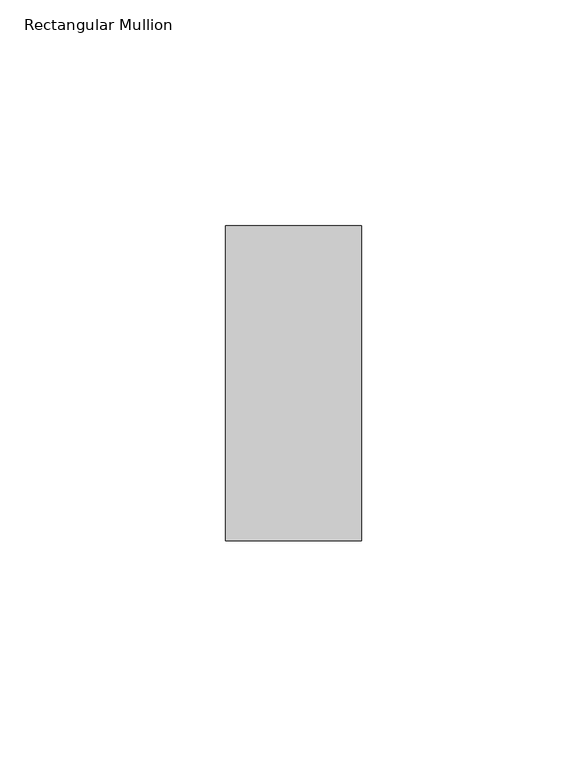
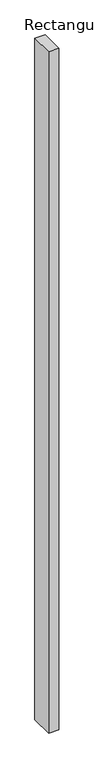
"""IFC4 building model written with IfcOpenShell, lengths in millimetres: member geometry, Rectangular Mullion."""

import ifcopenshell
import ifcopenshell.guid

model = None  # the IFC model being written
_history = None  # IfcOwnerHistory: only IFC2X3 demands one
_inside = {}  # id of a spatial element -> (the spatial element, [elements in it])
_under = {}  # id of a project, library or spatial element -> (it, [spatial elements below it])
_declared = {}  # id of a project -> (the project, [libraries it declares])
_typed = {}  # id of a type object -> (the type object, [elements of that type])
_made_of = {}  # id of a material, layer set ... -> (it, [elements and type objects made of it])


def new_model(schema):
    """Start an empty IFC model of exactly this schema.

    Asked for "IFC4X3", IfcOpenShell would pick the latest addendum, in which some entities
    have other attributes; the version numbers below select the first issue.
    IFC2X3 requires an IfcOwnerHistory on every rooted entity: one is made here for all.
    """
    global model, _history
    if schema == "IFC4X3":
        model = ifcopenshell.file(schema_version=(4, 3, 0, 0))
    else:
        model = ifcopenshell.file(schema=schema)
    _inside.clear()
    _under.clear()
    _declared.clear()
    _typed.clear()
    _made_of.clear()
    _history = None
    if model.schema == "IFC2X3":
        org = make("IfcOrganization", Name="unknown")
        user = make(
            "IfcPersonAndOrganization",
            ThePerson=make("IfcPerson", FamilyName="unknown"),
            TheOrganization=org,
        )
        app = make(
            "IfcApplication",
            ApplicationDeveloper=org,
            Version="unknown",
            ApplicationFullName="unknown",
            ApplicationIdentifier="unknown",
        )
        _history = make(
            "IfcOwnerHistory",
            OwningUser=user,
            OwningApplication=app,
            ChangeAction="ADDED",
            CreationDate=0,
        )
    return model


def make(cls, **values):
    """One entity of the class cls with the attributes given. An attribute that is None is left unset."""
    return model.create_entity(
        cls, **{name: value for name, value in values.items() if value is not None}
    )


def rooted(cls, **values):
    """An entity with a GlobalId (a new one), such as an element, a storey or a relation."""
    return make(cls, GlobalId=ifcopenshell.guid.new(), OwnerHistory=_history, **values)


def si_unit(unit_type, name, prefix=None):
    """IfcSIUnit, for example si_unit("LENGTHUNIT", "METRE", prefix="MILLI")."""
    return make("IfcSIUnit", UnitType=unit_type, Prefix=prefix, Name=name)


def assignment(units):
    """IfcUnitAssignment: the units of a project."""
    return None if units is None else make("IfcUnitAssignment", Units=units)


def point(xyz):
    """IfcCartesianPoint."""
    return None if xyz is None else make("IfcCartesianPoint", Coordinates=xyz)


def direction(xyz):
    """IfcDirection."""
    return None if xyz is None else make("IfcDirection", DirectionRatios=xyz)


def frame(location, z_axis=None, x_axis=None):
    """IfcAxis2Placement3D, a coordinate frame: its origin and axes. An axis left out is left unset."""
    return make(
        "IfcAxis2Placement3D",
        Location=point(location),
        Axis=direction(z_axis),
        RefDirection=direction(x_axis),
    )


def origin():
    """The frame at (0, 0, 0) with its axes left unset."""
    return frame((0.0, 0.0, 0.0))


def place(relative_to, where):
    """IfcLocalPlacement: puts the frame where relative to a parent placement (None: the world)."""
    return make(
        "IfcLocalPlacement", PlacementRelTo=relative_to, RelativePlacement=where
    )


def context(
    kind, dimensions, precision=None, world=None, true_north=None, identifier=None
):
    """IfcGeometricRepresentationContext, for example the 3D "Model" context."""
    return make(
        "IfcGeometricRepresentationContext",
        ContextIdentifier=identifier,
        ContextType=kind,
        CoordinateSpaceDimension=dimensions,
        Precision=precision,
        WorldCoordinateSystem=world,
        TrueNorth=true_north,
    )


def project(units=None, contexts=None):
    """IfcProject with its units and contexts."""
    return rooted(
        "IfcProject",
        Name="project",
        RepresentationContexts=contexts,
        UnitsInContext=assignment(units),
    )


def spatial(cls, under=None, at=None, **own):
    """A site, building, storey or space (cls), placed at a placement, below another one or the project."""
    s = rooted(cls, ObjectPlacement=at, **own)
    if under is not None:
        _under.setdefault(under.id(), (under, []))[1].append(s)
    return s


def polyline(points):
    """IfcPolyline through the points."""
    return make("IfcPolyline", Points=[point(p) for p in points])


def outline(outer, holes=None, kind="AREA"):
    """IfcArbitraryClosedProfileDef: a profile drawn as a closed curve; with holes, ...WithVoids."""
    if holes is None:
        return make("IfcArbitraryClosedProfileDef", ProfileType=kind, OuterCurve=outer)
    return make(
        "IfcArbitraryProfileDefWithVoids",
        ProfileType=kind,
        OuterCurve=outer,
        InnerCurves=holes,
    )


def extrude(swept, where, along, depth):
    """IfcExtrudedAreaSolid: the profile swept, set in the frame where, extruded along a direction by depth."""
    return make(
        "IfcExtrudedAreaSolid",
        SweptArea=swept,
        Position=where,
        ExtrudedDirection=direction(along),
        Depth=depth,
    )


def shape(context_of_items, identifier, shape_type, items):
    """IfcShapeRepresentation: the items that make up one representation, for example the "Body"."""
    return make(
        "IfcShapeRepresentation",
        ContextOfItems=context_of_items,
        RepresentationIdentifier=identifier,
        RepresentationType=shape_type,
        Items=items,
    )


def source(mapping_origin, context_of_items, identifier, shape_type, items):
    """IfcRepresentationMap: a shape defined once, which mapped items show again and again."""
    return make(
        "IfcRepresentationMap",
        MappingOrigin=mapping_origin,
        MappedRepresentation=shape(context_of_items, identifier, shape_type, items),
    )


def transform(
    local_origin,
    x_axis=None,
    y_axis=None,
    z_axis=None,
    scale=None,
    scale2=None,
    scale3=None,
    uniform=True,
):
    """IfcCartesianTransformationOperator3D, or its non-uniform kind. x_axis, y_axis, z_axis: its Axis1, 2, 3."""
    if uniform:
        return make(
            "IfcCartesianTransformationOperator3D",
            Axis1=direction(x_axis),
            Axis2=direction(y_axis),
            LocalOrigin=point(local_origin),
            Scale=scale,
            Axis3=direction(z_axis),
        )
    return make(
        "IfcCartesianTransformationOperator3DnonUniform",
        Axis1=direction(x_axis),
        Axis2=direction(y_axis),
        LocalOrigin=point(local_origin),
        Scale=scale,
        Axis3=direction(z_axis),
        Scale2=scale2,
        Scale3=scale3,
    )


def mapped(mapping_source, mapping_target):
    """IfcMappedItem: shows the shape of a source again, moved by a transform."""
    return make(
        "IfcMappedItem", MappingSource=mapping_source, MappingTarget=mapping_target
    )


def made_of(thing, what):
    """Note that an element or type object is made of a material, layer set ...; save() writes the relation."""
    if what is not None:
        _made_of.setdefault(what.id(), (what, []))[1].append(thing)
    return thing


def element(
    cls,
    number,
    at=None,
    inside=None,
    cuts=None,
    type_object=None,
    material=None,
    context=None,
    identifier="Body",
    shape_type=None,
    held_by="IfcProductDefinitionShape",
    body=None,
    shapes=None,
    **own,
):
    """One element of the class cls, such as IfcWall. Its Tag is "e" and its number.

    at: its placement. inside: the storey or other place that contains it. cuts: it is an
    opening in that element (IfcRelVoidsElement). A single representation is given by context,
    identifier, shape_type and body (its items); several are given by shapes. held_by: the class
    of the entity that holds the representations. save() writes the other relations.
    """
    e = rooted(cls, Tag="e%d" % number, ObjectPlacement=at, **own)
    if body is not None:
        shapes = [shape(context, identifier, shape_type, body)]
    if shapes is not None:
        e.Representation = make(held_by, Representations=shapes)
    if inside is not None:
        _inside.setdefault(inside.id(), (inside, []))[1].append(e)
    if cuts is not None:
        rooted(
            "IfcRelVoidsElement", RelatingBuildingElement=cuts, RelatedOpeningElement=e
        )
    if type_object is not None:
        _typed.setdefault(type_object.id(), (type_object, []))[1].append(e)
    return made_of(e, material)


def aggregate(whole, parts):
    """IfcRelAggregates: a whole, such as a stair, and the parts it consists of."""
    return rooted("IfcRelAggregates", RelatingObject=whole, RelatedObjects=parts)


def save(model, path):
    """Write the relations noted so far, then the file.

    IfcRelAggregates (storeys below a building ...), IfcRelContainedInSpatialStructure (elements
    in a storey), IfcRelDefinesByType, IfcRelAssociatesMaterial and IfcRelDeclares: one each for
    every whole, place, type object, material and project.
    """
    for whole, parts in _under.values():
        aggregate(whole, parts)
    for where, things in _inside.values():
        rooted(
            "IfcRelContainedInSpatialStructure",
            RelatedElements=things,
            RelatingStructure=where,
        )
    for kind, things in _typed.values():
        rooted("IfcRelDefinesByType", RelatedObjects=things, RelatingType=kind)
    for what, things in _made_of.values():
        rooted("IfcRelAssociatesMaterial", RelatedObjects=things, RelatingMaterial=what)
    for by, libraries in _declared.values():
        rooted("IfcRelDeclares", RelatingContext=by, RelatedDefinitions=libraries)
    model.write(path)


def rectangular_mullion_5a4492a1(model_context):
    return source(origin(), model_context, "Body", "SweptSolid", [
        extrude(outline(polyline([(0.0, 34.925), (0.0, -34.925), (-30.1625, -34.925), (-30.1625, 34.925), (0.0, 34.925)])), frame((0.0, 0.0, -2133.6), z_axis=(0.0, 0.0, 1.0), x_axis=(1.0, 0.0, 0.0)), (0.0, 0.0, 1.0), 2133.6),
    ])


if __name__ == "__main__":
    model = new_model("IFC4")
    model_context = context("Model", 3, world=origin())
    ifc_project = project(units=[si_unit("LENGTHUNIT", "METRE", prefix="MILLI")], contexts=[model_context])
    site = spatial("IfcSite", under=ifc_project)
    building = spatial("IfcBuilding", under=site)
    placement = place(None, origin())
    rectangular_mullion_shape = rectangular_mullion_5a4492a1(model_context)
    element("IfcMember", 1, ObjectType="Rectangular Mullion", at=placement, inside=building, context=model_context, shape_type="MappedRepresentation", body=[
        mapped(rectangular_mullion_shape, transform((0.0, 0.0, 0.0), x_axis=(1.0, 0.0, 0.0), y_axis=(0.0, 1.0, 0.0), z_axis=(0.0, 0.0, 1.0))),
    ])
    save(model, "model.ifc")
